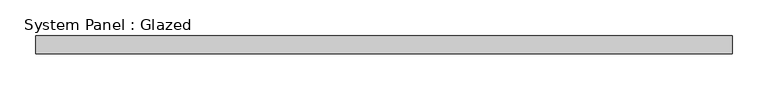
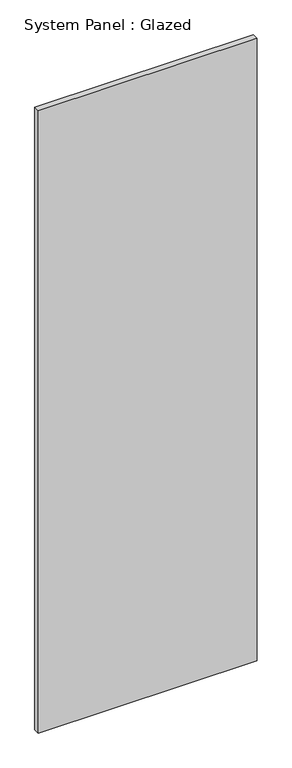
"""IFC4 building model written with IfcOpenShell, lengths in millimetres: plate geometry, System Panel : Glazed."""

from ifc_helpers import new_model, si_unit, origin, origin_with_axes, place, context, project, spatial, polyline, outline, extrude, source, transform, mapped, element, save


def system_panel_glazed_5e13b1b2(model_context):
    return source(origin(), model_context, "Body", "SweptSolid", [
        extrude(outline(polyline([(487.3625, -12.7), (-487.3625, -12.7), (-487.3625, 12.7), (487.3625, 12.7), (487.3625, -12.7)])), origin_with_axes(), (0.0, 0.0, 1.0), 2927.35),
    ])


if __name__ == "__main__":
    model = new_model("IFC4")
    model_context = context("Model", 3, world=origin())
    ifc_project = project(units=[si_unit("LENGTHUNIT", "METRE", prefix="MILLI")], contexts=[model_context])
    site = spatial("IfcSite", under=ifc_project)
    building = spatial("IfcBuilding", under=site)
    placement = place(None, origin())
    system_panel_glazed_shape = system_panel_glazed_5e13b1b2(model_context)
    element("IfcPlate", 1, ObjectType="System Panel : Glazed", at=placement, inside=building, context=model_context, shape_type="MappedRepresentation", body=[
        mapped(system_panel_glazed_shape, transform((0.0, 0.0, 0.0), x_axis=(1.0, 0.0, 0.0), y_axis=(0.0, 1.0, 0.0), z_axis=(0.0, 0.0, 1.0))),
    ])
    save(model, "model.ifc")
